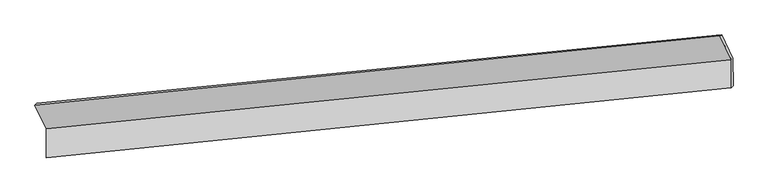
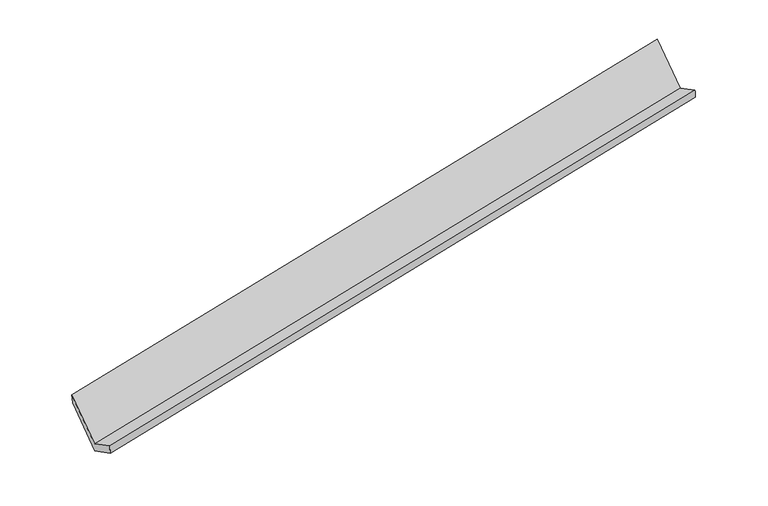
"""IFC4 building model written with IfcOpenShell, lengths in millimetres: proxy geometry."""

from ifc_helpers import new_model, si_unit, frame, origin, place, context, project, spatial, source, transform, mapped, element, save
from ifc_brep_helpers import plane_surface, spline_surface, advanced_brep


def generic_models_61e6709c(model_context):
    return source(origin(), model_context, "Body", "AdvancedBrep", [
        advanced_brep(
        [(-7629.0198093, -1981.6963921, 779.5999524), (-7627.4610366, -2388.7069077, 987.8301801), (1989.8200839, -1406.7333187, 2846.1980044), (1988.295406, -1008.6253014, 2642.5223746), (-7602.6780245, -2354.7359617, 841.4653881), (2012.5006959, -1377.2218973, 2713.0881192), (-7604.2244613, -1950.9464866, 634.8830736), (2011.0224488, -991.2374188, 2515.6150005), (-7761.9557801, -1622.9344338, 1277.2020276), (1853.29113, -663.2253659, 3157.9339545), (-7789.5685151, -1647.8254085, 1433.3919673), (1827.7467002, -674.7543177, 3296.3143895)],
        [
            (0, 1),
            (1, 2),
            (2, 3),
            (3, 0),
            (1, 4),
            (4, 5),
            (5, 2),
            (4, 6),
            (6, 7),
            (7, 5),
            (6, 8),
            (8, 9),
            (9, 7),
            (8, 10),
            (10, 11),
            (11, 9),
            (10, 0),
            (3, 11),
        ],
        [
            plane_surface(frame((-7628.2404229, -2185.2016499, 883.7150662), z_axis=(-0.21349055924329088, 0.44431367127247307, 0.8700615740477016), x_axis=(0.0034094872777890696, -0.8902498270287217, 0.45545979062024106))),
            spline_surface(1, 1, [[(-7627.4610366, -2388.7069077, 987.8301801), (1989.8200839, -1406.7333187, 2846.1980044)], [(-7602.6780245, -2354.7359617, 841.4653881), (2012.5006959, -1377.2218973, 2713.0881192)]], [2, 2], [2, 2], [0.0, 1.0], [0.0, 1.0]),
            plane_surface(frame((-7603.4512429, -2152.8412242, 738.1742309), z_axis=(0.21448284131932732, -0.44421165421236986, -0.8698695977222668), x_axis=(-0.003409487278025028, 0.890249827028702, -0.45545979062027764))),
            plane_surface(frame((-7683.0901207, -1786.9404602, 956.0425506), z_axis=(6.376288349312087e-05, 0.8906007126756275, -0.4547860667566226), x_axis=(-0.21364949395149682, 0.4442973634661115, 0.8700308882742793))),
            spline_surface(1, 1, [[(-7761.9557801, -1622.9344338, 1277.2020276), (1853.29113, -663.2253659, 3157.9339545)], [(-7789.5685151, -1647.8254085, 1433.3919673), (1827.7467002, -674.7543177, 3296.3143895)]], [2, 2], [2, 2], [0.0, 1.0], [0.0, 1.0]),
            plane_surface(frame((-7709.2941622, -1814.7609003, 1106.4959598), z_axis=(0.0019209490917711236, -0.8904015853142524, 0.4551717553017245), x_axis=(0.21364949395150207, -0.44429736346610244, -0.8700308882742825))),
            plane_surface(frame((1947.1127441, -1020.2996033, 2861.9453071), z_axis=(0.976904431933218, 0.10027511302698282, 0.18868659882636757), x_axis=(-0.18092253910503533, -0.08165565871520705, 0.9801017234162853))),
            plane_surface(frame((-7669.1512711, -1991.1409317, 992.3954315), z_axis=(-0.976904431933217, -0.10027511302678155, -0.18868659882648012), x_axis=(-0.21364949395151073, 0.4442973634661202, 0.8700308882742714))),
        ],
        [
            (0, [[1, 2, 3, 4]]),
            (1, [[5, 6, 7, -2]]),
            (2, [[8, 9, 10, -6]]),
            (3, [[11, 12, 13, -9]]),
            (4, [[14, 15, 16, -12]]),
            (5, [[17, -4, 18, -15]]),
            (6, [[-16, -18, -3, -7, -10, -13]]),
            (7, [[-17, -14, -11, -8, -5, -1]]),
        ],
    ),
    ])


if __name__ == "__main__":
    model = new_model("IFC4")
    model_context = context("Model", 3, world=origin())
    ifc_project = project(units=[si_unit("LENGTHUNIT", "METRE", prefix="MILLI")], contexts=[model_context])
    site = spatial("IfcSite", under=ifc_project)
    building = spatial("IfcBuilding", under=site)
    placement = place(None, origin())
    generic_models_shape = generic_models_61e6709c(model_context)
    element("IfcBuildingElementProxy", 1, Name="Generic Models", at=placement, inside=building, context=model_context, shape_type="MappedRepresentation", body=[
        mapped(generic_models_shape, transform((0.0, 0.0, 0.0), x_axis=(1.0, 0.0, 0.0), y_axis=(0.0, 1.0, 0.0), z_axis=(0.0, 0.0, 1.0))),
    ])
    save(model, "model.ifc")
